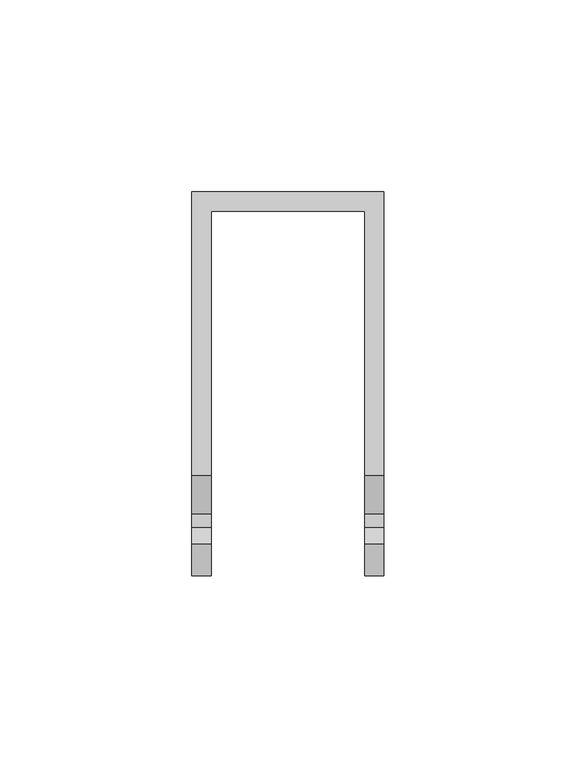
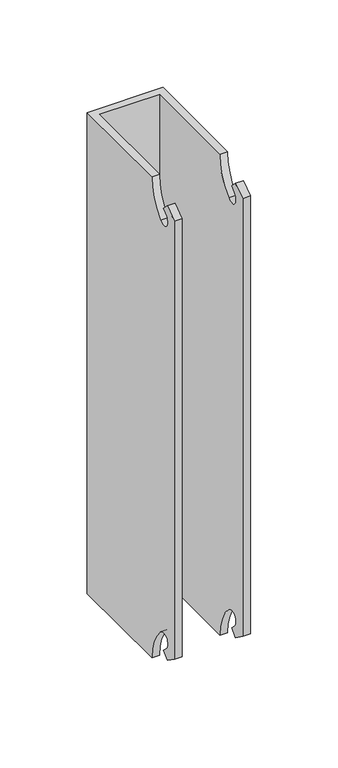
"""IFC4 building model written with IfcOpenShell, lengths in millimetres: plate geometry."""

from ifc_helpers import new_model, si_unit, frame, origin, place, context, project, spatial, polyline, circle_curve, source, transform, mapped, element, save
from ifc_brep_helpers import plane_surface, revolved_surface, advanced_brep


def plate_f1f20a30(model_context):
    return source(origin(), model_context, "Body", "AdvancedBrep", [
        advanced_brep(
        [(-25.0, 0.0, 335.7555928), (-25.0, -73.818351, 335.7555928), (-20.0, -73.8181152, 335.7555928), (-20.0, -5.0, 335.7555928), (20.0, -5.0, 335.7555928), (20.0, -73.818351, 335.7555928), (25.0, -73.8181152, 335.7555928), (25.0, 0.0, 335.7555928), (-20.0, -5.0, 0.0), (-20.0, -73.818351, 0.0), (-25.0, -73.818351, 0.0), (-25.0, 0.0, 0.0), (25.0, 0.0, 0.0), (25.0, -73.818351, 0.0), (20.0, -73.818351, 0.0), (20.0, -5.0, 0.0), (-20.0, -83.9099992, 311.4181758), (-20.0, -90.981067, 318.4892437), (-20.0, -87.4455331, 322.0247776), (-20.0, -91.8084796, 326.387724), (-20.0, -100.0, 320.6519597), (-20.0, -100.0, 15.0), (-20.0, -91.8084796, 9.2642356), (-20.0, -87.4455331, 13.6271821), (-20.0, -90.981067, 17.162716), (-20.0, -83.9099992, 24.2337838), (20.0, -83.9099992, 24.2337838), (20.0, -90.981067, 17.162716), (20.0, -87.4455331, 13.6271821), (20.0, -91.8084796, 9.2642356), (20.0, -100.0, 15.0), (20.0, -100.0, 320.6519597), (20.0, -91.8084796, 326.387724), (20.0, -87.4455331, 322.0247776), (20.0, -90.981067, 318.4892437), (20.0, -83.9099992, 311.4181758), (-25.0, -83.9099992, 24.2337838), (-25.0, -90.981067, 17.162716), (-25.0, -87.4455331, 13.6271821), (-25.0, -91.8084796, 9.2642356), (-25.0, -100.0, 15.0), (-25.0, -100.0, 320.6519597), (-25.0, -91.8084796, 326.387724), (-25.0, -87.4455331, 322.0247776), (-25.0, -90.981067, 318.4892437), (-25.0, -83.9099992, 311.4181758), (25.0, -83.9099992, 311.4181758), (25.0, -90.981067, 318.4892437), (25.0, -87.4455331, 322.0247776), (25.0, -91.8084796, 326.387724), (25.0, -100.0, 320.6519597), (25.0, -100.0, 15.0), (25.0, -91.8084796, 9.2642356), (25.0, -87.4455331, 13.6271821), (25.0, -90.981067, 17.162716), (25.0, -83.9099992, 24.2337838)],
        [
            (0, 1),
            (1, 2),
            (2, 3),
            (3, 4),
            (4, 5),
            (5, 6),
            (6, 7),
            (7, 0),
            (8, 9),
            (9, 10),
            (10, 11),
            (11, 12),
            (12, 13),
            (13, 14),
            (14, 15),
            (15, 8),
            (2, 16, circle_curve(frame((-20.0, -108.2739871, 335.7821637), z_axis=(-1.0, 0.0, 0.0), x_axis=(0.0, -1.0, 0.0)), 34.4558821)),
            (16, 17, circle_curve(frame((-20.0, -87.4455331, 314.9537097), z_axis=(-1.0, 0.0, 0.0), x_axis=(0.0, -1.0, 0.0)), 5.0)),
            (17, 18),
            (18, 19),
            (19, 20),
            (20, 21),
            (21, 22),
            (22, 23),
            (23, 24),
            (24, 25, circle_curve(frame((-20.0, -87.4455331, 20.6982499), z_axis=(-1.0, 0.0, 0.0), x_axis=(0.0, -1.0, 0.0)), 5.0)),
            (25, 9, circle_curve(frame((-20.0, -108.2739871, -0.1302041), z_axis=(-1.0, 0.0, 0.0), x_axis=(0.0, -1.0, 0.0)), 34.4558821)),
            (8, 3),
            (14, 26, circle_curve(frame((20.0, -108.2739871, -0.1302041), z_axis=(1.0, 0.0, 0.0), x_axis=(0.0, -1.0, 0.0)), 34.4558821)),
            (26, 27, circle_curve(frame((20.0, -87.4455331, 20.6982499), z_axis=(1.0, 0.0, 0.0), x_axis=(0.0, -1.0, 0.0)), 5.0)),
            (27, 28),
            (28, 29),
            (29, 30),
            (30, 31),
            (31, 32),
            (32, 33),
            (33, 34),
            (34, 35, circle_curve(frame((20.0, -87.4455331, 314.9537097), z_axis=(1.0, 0.0, 0.0), x_axis=(0.0, -1.0, 0.0)), 5.0)),
            (35, 5, circle_curve(frame((20.0, -108.2739871, 335.7821637), z_axis=(1.0, 0.0, 0.0), x_axis=(0.0, -1.0, 0.0)), 34.4558821)),
            (4, 15),
            (10, 36, circle_curve(frame((-25.0, -108.2739871, -0.1302041), z_axis=(1.0, 0.0, 0.0), x_axis=(0.0, -1.0, 0.0)), 34.4558821)),
            (36, 37, circle_curve(frame((-25.0, -87.4455331, 20.6982499), z_axis=(1.0, 0.0, 0.0), x_axis=(0.0, -1.0, 0.0)), 5.0)),
            (37, 38),
            (38, 39),
            (39, 40),
            (40, 41),
            (41, 42),
            (42, 43),
            (43, 44),
            (44, 45, circle_curve(frame((-25.0, -87.4455331, 314.9537097), z_axis=(1.0, 0.0, 0.0), x_axis=(0.0, -1.0, 0.0)), 5.0)),
            (45, 1, circle_curve(frame((-25.0, -108.2739871, 335.7821637), z_axis=(1.0, 0.0, 0.0), x_axis=(0.0, -1.0, 0.0)), 34.4558821)),
            (0, 11),
            (7, 12),
            (6, 46, circle_curve(frame((25.0, -108.2739871, 335.7821637), z_axis=(-1.0, 0.0, 0.0), x_axis=(0.0, -1.0, 0.0)), 34.4558821)),
            (46, 47, circle_curve(frame((25.0, -87.4455331, 314.9537097), z_axis=(-1.0, 0.0, 0.0), x_axis=(0.0, -1.0, 0.0)), 5.0)),
            (47, 48),
            (48, 49),
            (49, 50),
            (50, 51),
            (51, 52),
            (52, 53),
            (53, 54),
            (54, 55, circle_curve(frame((25.0, -87.4455331, 20.6982499), z_axis=(-1.0, 0.0, 0.0), x_axis=(0.0, -1.0, 0.0)), 5.0)),
            (55, 13, circle_curve(frame((25.0, -108.2739871, -0.1302041), z_axis=(-1.0, 0.0, 0.0), x_axis=(0.0, -1.0, 0.0)), 34.4558821)),
            (50, 31),
            (30, 51),
            (20, 41),
            (40, 21),
            (39, 22),
            (29, 52),
            (28, 53),
            (38, 23),
            (27, 54),
            (37, 24),
            (26, 55),
            (36, 25),
            (49, 32),
            (19, 42),
            (18, 43),
            (48, 33),
            (17, 44),
            (47, 34),
            (16, 45),
            (46, 35),
        ],
        [
            plane_surface(frame((-20.0, -5.0, 335.7555928), z_axis=(0.0, 0.0, 1.0), x_axis=(0.0, -1.0, 0.0))),
            plane_surface(frame((-20.0, -5.0, 0.0), z_axis=(0.0, 0.0, -1.0), x_axis=(0.0, 1.0, 0.0))),
            plane_surface(frame((-20.0, -5.0, 335.7555928), z_axis=(1.0, 0.0, 0.0), x_axis=(0.0, 0.0, -1.0))),
            plane_surface(frame((20.0, -100.0, 335.7555928), z_axis=(-1.0, 0.0, 0.0), x_axis=(0.0, 0.0, -1.0))),
            plane_surface(frame((20.0, -5.0, 335.7555928), z_axis=(0.0, -1.0, 0.0), x_axis=(0.0, 0.0, -1.0))),
            plane_surface(frame((-25.0, -100.0, 335.7555928), z_axis=(-1.0, 0.0, 0.0), x_axis=(0.0, 0.0, -1.0))),
            plane_surface(frame((-25.0, 0.0, 335.7555928), z_axis=(0.0, 1.0, 0.0), x_axis=(0.0, 0.0, -1.0))),
            plane_surface(frame((25.0, 0.0, 335.7555928), z_axis=(1.0, 0.0, 0.0), x_axis=(0.0, 0.0, -1.0))),
            plane_surface(frame((25.0, -100.0, 335.7555928), z_axis=(0.0, -1.0, 0.0), x_axis=(0.0, 0.0, -1.0))),
            plane_surface(frame((-20.0, -100.0, 335.7555928), z_axis=(0.0, -1.0, 0.0), x_axis=(0.0, 0.0, -1.0))),
            plane_surface(frame((34.950421, -100.0, 15.0), z_axis=(0.0, -0.5735764363510456, -0.8191520442889921), x_axis=(-1.0, 0.0, 0.0))),
            plane_surface(frame((34.950421, -91.8084796, 9.2642356), z_axis=(0.0, 0.7071067811865495, -0.7071067811865457), x_axis=(-1.0, 0.0, 0.0))),
            plane_surface(frame((34.950421, -87.4455331, 13.6271821), z_axis=(0.0, 0.7071067811865452, 0.7071067811865499), x_axis=(-1.0, 0.0, 0.0))),
            revolved_surface(polyline([(25.0, -92.4455331, 20.6982499), (20.0, -92.4455331, 20.6982499)]), (-37.6310235, -87.4455331, 20.6982499), (1.0, 0.0, 0.0)),
            revolved_surface(polyline([(-20.0, -92.4455331, 20.6982499), (-25.0, -92.4455331, 20.6982499)]), (-37.6310235, -87.4455331, 20.6982499), (1.0, 0.0, 0.0)),
            revolved_surface(polyline([(25.0, -142.7298692, -0.1302041), (20.0, -142.7298692, -0.1302041)]), (-37.6310235, -108.2739871, -0.1302041), (1.0, 0.0, 0.0)),
            revolved_surface(polyline([(-20.0, -142.7298692, -0.1302041), (-25.0, -142.7298692, -0.1302041)]), (-37.6310235, -108.2739871, -0.1302041), (1.0, 0.0, 0.0)),
            plane_surface(frame((34.950421, -91.8084796, 326.387724), z_axis=(0.0, -0.573576436351062, 0.8191520442889807), x_axis=(-1.0, 0.0, 0.0))),
            plane_surface(frame((34.950421, -87.4455331, 322.0247776), z_axis=(0.0, 0.7071067811865297, 0.7071067811865653), x_axis=(-1.0, 0.0, 0.0))),
            plane_surface(frame((34.950421, -90.981067, 318.4892437), z_axis=(0.0, 0.7071067811865595, -0.7071067811865357), x_axis=(-1.0, 0.0, 0.0))),
            revolved_surface(polyline([(-20.0, -92.4455331, 314.9537097), (-25.0, -92.4455331, 314.9537097)]), (-37.6310235, -87.4455331, 314.9537097), (1.0, 0.0, 0.0)),
            revolved_surface(polyline([(25.0, -92.4455331, 314.9537097), (20.0, -92.4455331, 314.9537097)]), (-37.6310235, -87.4455331, 314.9537097), (1.0, 0.0, 0.0)),
            revolved_surface(polyline([(-20.0, -142.7298692, 335.7821637), (-25.0, -142.7298692, 335.7821637)]), (-37.6310235, -108.2739871, 335.7821637), (1.0, 0.0, 0.0)),
            revolved_surface(polyline([(25.0, -142.7298692, 335.7821637), (20.0, -142.7298692, 335.7821637)]), (-37.6310235, -108.2739871, 335.7821637), (1.0, 0.0, 0.0)),
        ],
        [
            (0, [[1, 2, 3, 4, 5, 6, 7, 8]]),
            (1, [[9, 10, 11, 12, 13, 14, 15, 16]]),
            (2, [[-3, 17, 18, 19, 20, 21, 22, 23, 24, 25, 26, 27, -9, 28]]),
            (3, [[-15, 29, 30, 31, 32, 33, 34, 35, 36, 37, 38, 39, -5, 40]]),
            (4, [[-28, -16, -40, -4]]),
            (5, [[-11, 41, 42, 43, 44, 45, 46, 47, 48, 49, 50, 51, -1, 52]]),
            (6, [[53, -12, -52, -8]]),
            (7, [[-7, 54, 55, 56, 57, 58, 59, 60, 61, 62, 63, 64, -13, -53]]),
            (8, [[-59, 65, -34, 66]]),
            (9, [[-22, 67, -46, 68]]),
            (10, [[-23, -68, -45, 69]]),
            (10, [[-60, -66, -33, 70]]),
            (11, [[-32, 71, -61, -70]]),
            (11, [[-44, 72, -24, -69]]),
            (12, [[-31, 73, -62, -71]]),
            (12, [[-43, 74, -25, -72]]),
            (13, [[-30, 75, -63, -73]]),
            (14, [[-42, 76, -26, -74]]),
            (15, [[-29, -14, -64, -75]]),
            (16, [[-41, -10, -27, -76]]),
            (17, [[-35, -65, -58, 77]]),
            (17, [[-47, -67, -21, 78]]),
            (18, [[-20, 79, -48, -78]]),
            (18, [[-57, 80, -36, -77]]),
            (19, [[-19, 81, -49, -79]]),
            (19, [[-56, 82, -37, -80]]),
            (20, [[-18, 83, -50, -81]]),
            (21, [[-55, 84, -38, -82]]),
            (22, [[-17, -2, -51, -83]]),
            (23, [[-54, -6, -39, -84]]),
        ],
    ),
    ])


if __name__ == "__main__":
    model = new_model("IFC4")
    model_context = context("Model", 3, world=origin())
    ifc_project = project(units=[si_unit("LENGTHUNIT", "METRE", prefix="MILLI")], contexts=[model_context])
    site = spatial("IfcSite", under=ifc_project)
    building = spatial("IfcBuilding", under=site)
    placement = place(None, origin())
    plate_shape = plate_f1f20a30(model_context)
    element("IfcPlate", 1, at=placement, inside=building, context=model_context, shape_type="MappedRepresentation", body=[
        mapped(plate_shape, transform((0.0, 0.0, 0.0), x_axis=(1.0, 0.0, 0.0), y_axis=(0.0, 1.0, 0.0), z_axis=(0.0, 0.0, 1.0))),
    ])
    save(model, "model.ifc")
